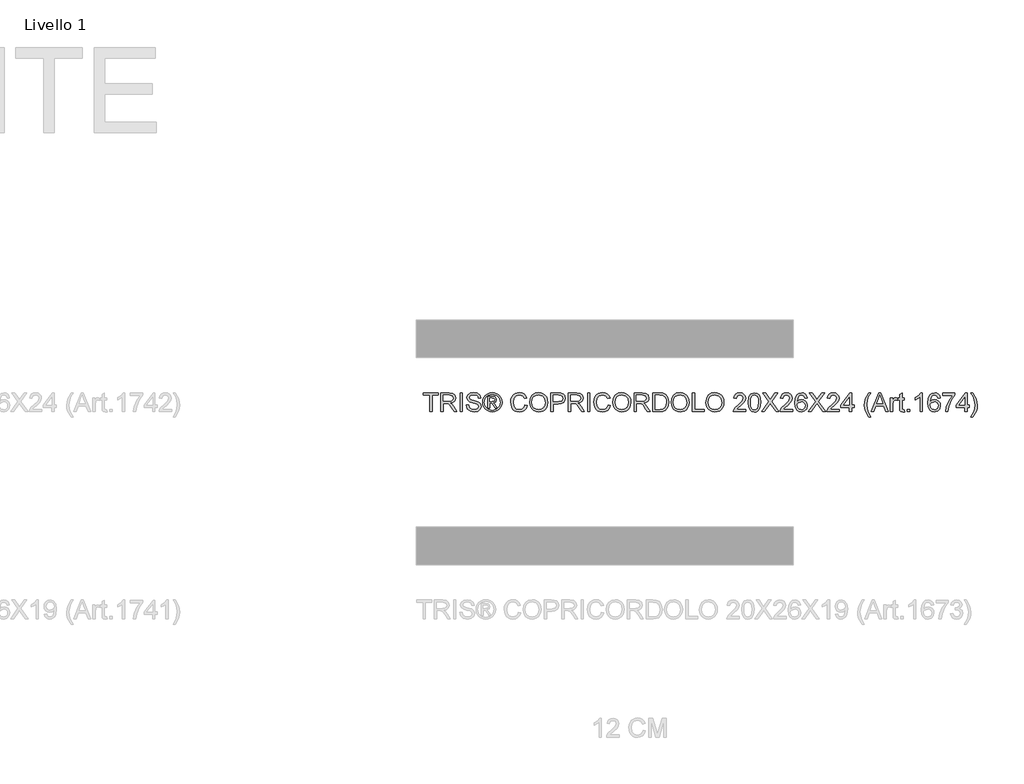
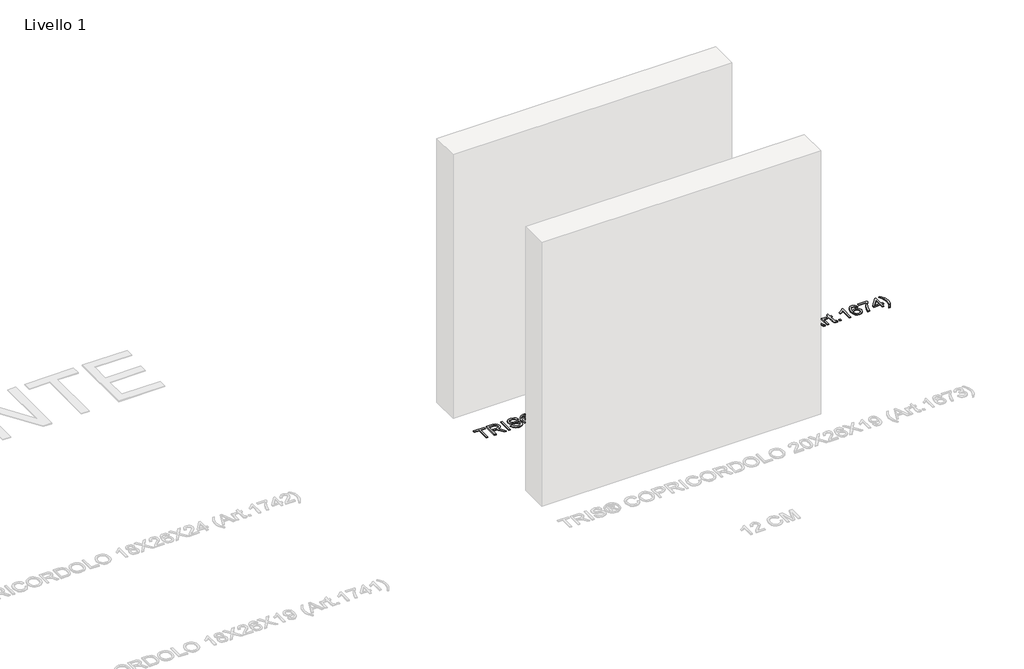
# One storey, part 9 of 19: 1 proxy.
"""IFC4 building model written with IfcOpenShell, lengths in millimetres."""

from ifc_helpers import new_model, si_unit, origin, origin_with_axes, place, context, project, spatial, polyline, outline, extrude, element, save

model = new_model("IFC4")

# Units and contexts
model_context = context("Model", 3, world=origin())
ifc_project = project(units=[si_unit("LENGTHUNIT", "METRE", prefix="MILLI")], contexts=[model_context])

# Site, building, storey
site = spatial("IfcSite", under=ifc_project)
building = spatial("IfcBuilding", under=site)
storey = spatial("IfcBuildingStorey", under=building, Name="Livello 1", Elevation=0.0)

# Proxy
placement = place(None, origin())
element("IfcBuildingElementProxy", 1, Name="100", ObjectType="100", at=placement, inside=storey, context=model_context, shape_type="SweptSolid", body=[
    extrude(outline(polyline([(3134.1267328, -3056.1057849), (3134.1267328, -2968.2065135), (3101.164506, -2968.2065135), (3101.164506, -2955.6494748), (3179.6459983, -2955.6494748), (3179.6459983, -2968.2065135), (3146.6837716, -2968.2065135), (3146.6837716, -3056.1057849), (3134.1267328, -3056.1057849)])), origin_with_axes(), (0.0, 0.0, 1.0), 5.0),
    extrude(outline(polyline([(3193.772667, -3056.1057849), (3193.772667, -2955.6494748), (3237.0601151, -2955.6494748), (3257.1587347, -2958.3595388), (3268.1461436, -2967.9489961), (3272.2541593, -2983.1425225), (3270.552705, -2993.0385482), (3265.4483423, -3001.2423167), (3256.787787, -3007.2571873), (3244.417755, -3010.5865194), (3251.5546657, -3015.9575965), (3261.7327342, -3028.8825173), (3278.4836277, -3056.1057849), (3263.8909752, -3056.1057849), (3250.8189017, -3035.283664), (3241.3765971, -3021.5003519), (3234.7424585, -3014.9888406), (3228.7705074, -3012.5976076), (3221.4864439, -3012.1561492), (3206.3297057, -3012.1561492), (3206.3297057, -3056.1057849), (3193.772667, -3056.1057849)]), holes=[polyline([(3206.3297057, -2999.5991105), (3234.4358902, -2999.5991105), (3248.7710252, -2997.8210142), (3256.9134801, -2992.131106), (3259.6971205, -2983.6085064), (3254.387357, -2972.5475211), (3237.5996753, -2968.2065135), (3206.3297057, -2968.2065135), (3206.3297057, -2999.5991105)])]), origin_with_axes(), (0.0, 0.0, 1.0), 5.0),
    extrude(outline(polyline([(3295.7986069, -3056.1057849), (3295.7986069, -2955.6494748), (3308.3556457, -2955.6494748), (3308.3556457, -3056.1057849), (3295.7986069, -3056.1057849)])), origin_with_axes(), (0.0, 0.0, 1.0), 5.0),
    extrude(outline(polyline([(3328.7608337, -3021.5739283), (3341.3178725, -3021.5739283), (3345.3645744, -3034.1432298), (3355.2483374, -3042.0894809), (3370.3069737, -3045.118376), (3383.4280982, -3042.8252449), (3391.9016468, -3036.5222), (3394.6852873, -3028.0977024), (3392.6006226, -3020.2618159), (3384.0657603, -3014.5596449), (3365.7820252, -3009.7649163), (3346.1003384, -3003.572236), (3335.4194978, -2994.2280333), (3331.9000934, -2981.744571), (3336.2533637, -2967.5320632), (3348.969818, -2957.5011475), (3367.5846469, -2954.0798449), (3387.4502747, -2957.660563), (3400.6940265, -2968.1819881), (3405.6726962, -2983.902812), (3393.1156574, -2983.902812), (3390.8102636, -2976.410282), (3386.0032722, -2971.0024167), (3368.0751563, -2966.6368837), (3350.0979894, -2970.9533658), (3344.4571322, -2981.376689), (3348.4547832, -2990.0832295), (3368.9580731, -2997.0975129), (3391.1781456, -3003.4005578), (3403.3305141, -3013.5786263), (3407.242326, -3027.7788713), (3402.7419029, -3042.8007194), (3389.7924567, -3053.7636029), (3370.797483, -3057.6754148), (3348.3689441, -3053.4570346), (3334.1809618, -3040.752843), (3328.7608337, -3021.5739283)])), origin_with_axes(), (0.0, 0.0, 1.0), 5.0),
    extrude(outline(polyline([(3443.3438125, -3037.2702268), (3443.3438125, -2974.4850329), (3463.6263731, -2974.4850329), (3478.6850095, -2976.2140783), (3486.1039631, -2982.247343), (3488.863078, -2991.4076047), (3484.1051375, -3003.3269814), (3471.4990478, -3009.0168895), (3476.4041411, -3012.352353), (3484.9635289, -3024.8848663), (3492.0023377, -3037.2702268), (3481.4073362, -3037.2702268), (3475.8891063, -3027.3128874), (3466.6430055, -3012.8919132), (3458.623178, -3010.5865194), (3452.7615916, -3010.5865194), (3452.7615916, -3037.2702268), (3443.3438125, -3037.2702268)]), holes=[polyline([(3452.7615916, -3001.1687403), (3464.6809682, -3001.1687403), (3476.3305647, -2998.7775073), (3479.4452989, -2992.4376743), (3477.9492455, -2987.8759376), (3473.7921789, -2984.8838307), (3463.9206787, -2983.902812), (3452.7615916, -2983.902812), (3452.7615916, -3001.1687403)])]), origin_with_axes(), (0.0, 0.0, 1.0), 5.0),
    extrude(outline(polyline([(3466.9127856, -2954.0798449), (3479.8070496, -2955.753708), (3492.3947452, -2960.7752972), (3503.4526648, -2968.9116207), (3511.7576009, -2979.9296865), (3516.953934, -2992.6522721), (3518.6860451, -3005.9021553), (3516.9784595, -3019.0355425), (3511.8557027, -3031.653895), (3503.6519342, -3042.6321069), (3492.7013135, -3050.8450724), (3480.0921581, -3055.9678292), (3466.9127856, -3057.6754148), (3453.7518073, -3055.9678292), (3441.1487832, -3050.8450724), (3430.1889655, -3042.6321069), (3421.9576058, -3031.653895), (3416.8072579, -3019.0355425), (3415.0904753, -3005.9021553), (3416.8317834, -2992.6522721), (3422.0557077, -2979.9296865), (3430.3882349, -2968.9116207), (3441.4553516, -2960.7752972), (3454.0369158, -2955.753708), (3466.9127856, -2954.0798449)]), holes=[polyline([(3466.9127856, -2963.497624), (3446.0906647, -2968.9790657), (3437.0622274, -2975.6407955), (3430.2349507, -2984.6631015), (3424.5082543, -3005.9021553), (3430.1245861, -3026.9572682), (3445.84541, -3042.6413039), (3466.9127856, -3048.2576357), (3487.992424, -3042.6413039), (3503.6764597, -3026.9572682), (3509.268266, -3005.9021553), (3503.5783578, -2984.6631015), (3496.7694752, -2975.6407955), (3487.7226438, -2968.9790657), (3466.9127856, -2963.497624)])]), origin_with_axes(), (0.0, 0.0, 1.0), 5.0),
    extrude(outline(polyline([(3639.5475432, -3020.3967059), (3652.104582, -3023.6340675), (3646.3104406, -3038.2665738), (3637.2176239, -3048.9566115), (3625.2737218, -3055.495714), (3610.926324, -3057.6754148), (3596.3612627, -3056.0260772), (3584.7944396, -3051.0780643), (3575.9284835, -3043.0030545), (3569.4660232, -3031.972726), (3564.2053106, -3005.1173404), (3565.692167, -2990.4695056), (3570.1527362, -2977.8204964), (3577.3540263, -2967.5719171), (3587.0630453, -2960.1253724), (3598.5777517, -2955.5912268), (3611.1961041, -2954.0798449), (3624.9640878, -2956.0357509), (3636.3469699, -2961.9034687), (3644.9891311, -2971.3212478), (3650.5349522, -2983.9273375), (3637.9779134, -2986.9194444), (3627.6772175, -2971.4806633), (3610.7055948, -2966.6368837), (3591.0606963, -2972.0079608), (3579.9629228, -2986.428935), (3576.7623494, -3005.0928149), (3580.5515339, -3026.7242762), (3592.3482833, -3040.5443765), (3609.6755252, -3045.118376), (3620.1570964, -3043.5610089), (3628.8912281, -3038.8889076), (3635.4855129, -3031.1511229), (3639.5475432, -3020.3967059)])), origin_with_axes(), (0.0, 0.0, 1.0), 5.0),
    extrude(outline(polyline([(3664.6616208, -3007.202005), (3668.0093469, -2984.9880639), (3678.0525254, -2968.1819881), (3693.3870732, -2957.6053807), (3712.6089075, -2954.0798449), (3725.7852143, -2955.7353139), (3737.6003577, -2960.7017208), (3747.4105442, -2968.6295778), (3754.5719804, -2979.169397), (3758.9497761, -2991.8122749), (3760.4090414, -3006.0493081), (3758.8731341, -3020.4764137), (3754.2654121, -3033.2971012), (3746.8403271, -3043.8553145), (3736.852331, -3051.4949973), (3725.1383551, -3056.1303104), (3712.5353311, -3057.6754148), (3699.1566892, -3055.9678292), (3687.2741007, -3050.8450724), (3677.4884397, -3042.7700626), (3670.4005799, -3032.205718), (3664.6616208, -3007.202005)]), holes=[polyline([(3677.2186595, -3007.3246324), (3679.7294542, -3023.0393249), (3687.261838, -3035.0138839), (3698.5834064, -3042.592253), (3712.4617547, -3045.118376), (3726.5424381, -3042.5677275), (3737.8824006, -3034.915782), (3745.3596021, -3022.5733411), (3747.8520026, -3005.9512062), (3743.5845715, -2985.2271872), (3731.1133718, -2971.5051888), (3712.6824839, -2966.6368837), (3699.1750833, -2968.9821314), (3687.6910337, -2976.0178746), (3679.8367531, -2988.5350595), (3677.2186595, -3007.3246324)])]), origin_with_axes(), (0.0, 0.0, 1.0), 5.0),
    extrude(outline(polyline([(3777.6749697, -3056.1057849), (3777.6749697, -2955.6494748), (3814.9046276, -2955.6494748), (3829.914213, -2956.605968), (3842.1156325, -2961.3025948), (3850.0250954, -2971.0146794), (3853.0172023, -2984.7121524), (3850.996917, -2996.5518213), (3844.9360611, -3006.4171901), (3833.60223, -3013.0758542), (3815.7630189, -3015.2954089), (3790.2320085, -3015.2954089), (3790.2320085, -3056.1057849), (3777.6749697, -3056.1057849)]), holes=[polyline([(3790.2320085, -3002.7383702), (3816.4987829, -3002.7383702), (3834.9909845, -2998.1275825), (3839.0928688, -2992.5786957), (3840.4601635, -2985.1536108), (3837.2350647, -2974.7548131), (3828.7615161, -2969.0649049), (3816.2044773, -2968.2065135), (3790.2320085, -2968.2065135), (3790.2320085, -3002.7383702)])]), origin_with_axes(), (0.0, 0.0, 1.0), 5.0),
    extrude(outline(polyline([(3870.2831306, -3056.1057849), (3870.2831306, -2955.6494748), (3913.5705787, -2955.6494748), (3933.6691984, -2958.3595388), (3944.6566073, -2967.9489961), (3948.7646229, -2983.1425225), (3947.0631687, -2993.0385482), (3941.958806, -3001.2423167), (3933.2982507, -3007.2571873), (3920.9282186, -3010.5865194), (3928.0651293, -3015.9575965), (3938.2431979, -3028.8825173), (3954.9940914, -3056.1057849), (3940.4014389, -3056.1057849), (3927.3293653, -3035.283664), (3917.8870608, -3021.5003519), (3911.2529221, -3014.9888406), (3905.2809711, -3012.5976076), (3897.9969076, -3012.1561492), (3882.8401694, -3012.1561492), (3882.8401694, -3056.1057849), (3870.2831306, -3056.1057849)]), holes=[polyline([(3882.8401694, -2999.5991105), (3910.9463538, -2999.5991105), (3925.2814889, -2997.8210142), (3933.4239437, -2992.131106), (3936.2075842, -2983.6085064), (3930.8978207, -2972.5475211), (3914.110139, -2968.2065135), (3882.8401694, -2968.2065135), (3882.8401694, -2999.5991105)])]), origin_with_axes(), (0.0, 0.0, 1.0), 5.0),
    extrude(outline(polyline([(3972.3090706, -3056.1057849), (3972.3090706, -2955.6494748), (3984.8661094, -2955.6494748), (3984.8661094, -3056.1057849), (3972.3090706, -3056.1057849)])), origin_with_axes(), (0.0, 0.0, 1.0), 5.0),
    extrude(outline(polyline([(4080.61353, -3020.3967059), (4093.1705688, -3023.6340675), (4087.3764273, -3038.2665738), (4078.2836107, -3048.9566115), (4066.3397086, -3055.495714), (4051.9923108, -3057.6754148), (4037.4272494, -3056.0260772), (4025.8604264, -3051.0780643), (4016.9944703, -3043.0030545), (4010.5320099, -3031.972726), (4005.2712974, -3005.1173404), (4006.7581538, -2990.4695056), (4011.218723, -2977.8204964), (4018.420013, -2967.5719171), (4028.129032, -2960.1253724), (4039.6437385, -2955.5912268), (4052.2620909, -2954.0798449), (4066.0300746, -2956.0357509), (4077.4129566, -2961.9034687), (4086.0551178, -2971.3212478), (4091.6009389, -2983.9273375), (4079.0439001, -2986.9194444), (4068.7432043, -2971.4806633), (4051.7715816, -2966.6368837), (4032.126683, -2972.0079608), (4021.0289095, -2986.428935), (4017.8283361, -3005.0928149), (4021.6175207, -3026.7242762), (4033.41427, -3040.5443765), (4050.741512, -3045.118376), (4061.2230832, -3043.5610089), (4069.9572149, -3038.8889076), (4076.5514996, -3031.1511229), (4080.61353, -3020.3967059)])), origin_with_axes(), (0.0, 0.0, 1.0), 5.0),
    extrude(outline(polyline([(4105.7276075, -3007.202005), (4109.0753337, -2984.9880639), (4119.1185122, -2968.1819881), (4134.45306, -2957.6053807), (4153.6748942, -2954.0798449), (4166.851201, -2955.7353139), (4178.6663444, -2960.7017208), (4188.476531, -2968.6295778), (4195.6379672, -2979.169397), (4200.0157629, -2991.8122749), (4201.4750281, -3006.0493081), (4199.9391208, -3020.4764137), (4195.3313988, -3033.2971012), (4187.9063139, -3043.8553145), (4177.9183177, -3051.4949973), (4166.2043419, -3056.1303104), (4153.6013178, -3057.6754148), (4140.2226759, -3055.9678292), (4128.3400875, -3050.8450724), (4118.5544264, -3042.7700626), (4111.4665667, -3032.205718), (4105.7276075, -3007.202005)]), holes=[polyline([(4118.2846463, -3007.3246324), (4120.7954409, -3023.0393249), (4128.3278248, -3035.0138839), (4139.6493932, -3042.592253), (4153.5277414, -3045.118376), (4167.6084248, -3042.5677275), (4178.9483873, -3034.915782), (4186.4255889, -3022.5733411), (4188.9179894, -3005.9512062), (4184.6505582, -2985.2271872), (4172.1793586, -2971.5051888), (4153.7484706, -2966.6368837), (4140.24107, -2968.9821314), (4128.7570204, -2976.0178746), (4120.9027398, -2988.5350595), (4118.2846463, -3007.3246324)])]), origin_with_axes(), (0.0, 0.0, 1.0), 5.0),
    extrude(outline(polyline([(4218.7409564, -3056.1057849), (4218.7409564, -2955.6494748), (4262.0284045, -2955.6494748), (4282.1270242, -2958.3595388), (4293.1144331, -2967.9489961), (4297.2224488, -2983.1425225), (4295.5209945, -2993.0385482), (4290.4166318, -3001.2423167), (4281.7560765, -3007.2571873), (4269.3860445, -3010.5865194), (4276.5229552, -3015.9575965), (4286.7010237, -3028.8825173), (4303.4519172, -3056.1057849), (4288.8592647, -3056.1057849), (4275.7871912, -3035.283664), (4266.3448866, -3021.5003519), (4259.710748, -3014.9888406), (4253.7387969, -3012.5976076), (4246.4547334, -3012.1561492), (4231.2979952, -3012.1561492), (4231.2979952, -3056.1057849), (4218.7409564, -3056.1057849)]), holes=[polyline([(4231.2979952, -2999.5991105), (4259.4041796, -2999.5991105), (4273.7393147, -2997.8210142), (4281.8817696, -2992.131106), (4284.66541, -2983.6085064), (4279.3556465, -2972.5475211), (4262.5679648, -2968.2065135), (4231.2979952, -2968.2065135), (4231.2979952, -2999.5991105)])]), origin_with_axes(), (0.0, 0.0, 1.0), 5.0),
    extrude(outline(polyline([(4319.1972666, -3056.1057849), (4319.1972666, -2955.6494748), (4353.8517505, -2955.6494748), (4371.7798664, -2957.0964773), (4386.5441972, -2964.2824389), (4398.4390484, -2981.4502654), (4402.3876484, -3005.3380696), (4399.7143726, -3025.6083675), (4392.847242, -3040.2378082), (4383.6747176, -3049.3490189), (4371.6695018, -3054.3890023), (4355.5194823, -3056.1057849), (4319.1972666, -3056.1057849)]), holes=[polyline([(4331.7543054, -3043.5487462), (4353.9743779, -3043.5487462), (4370.1366602, -3041.7338616), (4379.4563374, -3036.6080392), (4387.0960202, -3024.1368395), (4389.8306097, -3005.1418659), (4388.4909061, -2991.4566556), (4384.4717953, -2981.3521635), (4371.4365099, -2970.2176018), (4353.6310213, -2968.2065135), (4331.7543054, -2968.2065135), (4331.7543054, -3043.5487462)])]), origin_with_axes(), (0.0, 0.0, 1.0), 5.0),
    extrude(outline(polyline([(4414.9446872, -3007.202005), (4418.2924134, -2984.9880639), (4428.3355918, -2968.1819881), (4443.6701397, -2957.6053807), (4462.8919739, -2954.0798449), (4476.0682807, -2955.7353139), (4487.8834241, -2960.7017208), (4497.6936107, -2968.6295778), (4504.8550468, -2979.169397), (4509.2328426, -2991.8122749), (4510.6921078, -3006.0493081), (4509.1562005, -3020.4764137), (4504.5484785, -3033.2971012), (4497.1233936, -3043.8553145), (4487.1353974, -3051.4949973), (4475.4214215, -3056.1303104), (4462.8183975, -3057.6754148), (4449.4397556, -3055.9678292), (4437.5571672, -3050.8450724), (4427.7715061, -3042.7700626), (4420.6836463, -3032.205718), (4414.9446872, -3007.202005)]), holes=[polyline([(4427.501726, -3007.3246324), (4430.0125206, -3023.0393249), (4437.5449044, -3035.0138839), (4448.8664728, -3042.592253), (4462.7448211, -3045.118376), (4476.8255045, -3042.5677275), (4488.165467, -3034.915782), (4495.6426685, -3022.5733411), (4498.1350691, -3005.9512062), (4493.8676379, -2985.2271872), (4481.3964383, -2971.5051888), (4462.9655503, -2966.6368837), (4449.4581497, -2968.9821314), (4437.9741001, -2976.0178746), (4430.1198195, -2988.5350595), (4427.501726, -3007.3246324)])]), origin_with_axes(), (0.0, 0.0, 1.0), 5.0),
    extrude(outline(polyline([(4527.9580361, -3056.1057849), (4527.9580361, -2955.6494748), (4540.5150749, -2955.6494748), (4540.5150749, -3043.5487462), (4590.74323, -3043.5487462), (4590.74323, -3056.1057849), (4527.9580361, -3056.1057849)])), origin_with_axes(), (0.0, 0.0, 1.0), 5.0),
    extrude(outline(polyline([(4600.161009, -3007.202005), (4603.5087352, -2984.9880639), (4613.5519137, -2968.1819881), (4628.8864615, -2957.6053807), (4648.1082958, -2954.0798449), (4661.2846025, -2955.7353139), (4673.099746, -2960.7017208), (4682.9099325, -2968.6295778), (4690.0713687, -2979.169397), (4694.4491644, -2991.8122749), (4695.9084297, -3006.0493081), (4694.3725223, -3020.4764137), (4689.7648003, -3033.2971012), (4682.3397154, -3043.8553145), (4672.3517192, -3051.4949973), (4660.6377434, -3056.1303104), (4648.0347194, -3057.6754148), (4634.6560775, -3055.9678292), (4622.773489, -3050.8450724), (4612.9878279, -3042.7700626), (4605.8999682, -3032.205718), (4600.161009, -3007.202005)]), holes=[polyline([(4612.7180478, -3007.3246324), (4615.2288424, -3023.0393249), (4622.7612263, -3035.0138839), (4634.0827947, -3042.592253), (4647.961143, -3045.118376), (4662.0418263, -3042.5677275), (4673.3817888, -3034.915782), (4680.8589904, -3022.5733411), (4683.3513909, -3005.9512062), (4679.0839597, -2985.2271872), (4666.6127601, -2971.5051888), (4648.1818722, -2966.6368837), (4634.6744716, -2968.9821314), (4623.1904219, -2976.0178746), (4615.3361413, -2988.5350595), (4612.7180478, -3007.3246324)])]), origin_with_axes(), (0.0, 0.0, 1.0), 5.0),
    extrude(outline(polyline([(4812.0610383, -3043.5487462), (4812.0610383, -3056.1057849), (4746.1365847, -3056.1057849), (4747.4854854, -3047.4482953), (4755.1129054, -3034.1187043), (4770.8337293, -3019.5628401), (4792.5142416, -2998.6426173), (4797.9343697, -2984.4178468), (4792.8208099, -2972.9031403), (4779.4666935, -2968.2065135), (4765.5484913, -2972.7927758), (4760.2632533, -2985.4724419), (4747.7062146, -2983.902812), (4750.7504381, -2971.7565748), (4757.3324601, -2962.8844873), (4767.1089241, -2957.4582279), (4779.7364736, -2955.6494748), (4792.4559936, -2957.660563), (4802.2140635, -2963.6938277), (4808.4220722, -2972.7069366), (4810.4914084, -2983.6575573), (4808.259591, -2995.5646713), (4800.8406374, -3007.8764554), (4782.8512079, -3025.08107), (4768.4057082, -3037.1598622), (4762.7403254, -3043.5487462), (4812.0610383, -3043.5487462)])), origin_with_axes(), (0.0, 0.0, 1.0), 5.0),
    extrude(outline(polyline([(4824.618077, -3006.6869702), (4828.3091597, -2977.7837082), (4839.2720432, -2961.1186538), (4857.5803038, -2955.6494748), (4872.2465327, -2958.8868363), (4882.3755503, -2968.2187763), (4888.2616622, -2983.0812089), (4890.5425306, -3006.6869702), (4886.8882361, -3035.467605), (4875.9621408, -3052.1694476), (4867.7307812, -3056.298923), (4857.5803038, -3057.6754148), (4844.5327557, -3055.2841818), (4834.6244673, -3048.1104829), (4827.1196746, -3031.1204661), (4824.618077, -3006.6869702)]), holes=[polyline([(4837.1751158, -3006.6624448), (4838.6466438, -3026.4146422), (4843.0612277, -3037.8465752), (4849.6340527, -3043.3004258), (4857.5803038, -3045.118376), (4865.5265549, -3043.2942944), (4872.0993799, -3037.8220498), (4876.5139638, -3026.3839854), (4877.9854918, -3006.6624448), (4876.5630148, -2987.3547714), (4872.2955836, -2975.8339336), (4865.7350214, -2970.1133686), (4857.433151, -2968.2065135), (4849.572739, -2969.886508), (4843.2574315, -2974.9264913), (4838.6956947, -2987.164699), (4837.1751158, -3006.6624448)])]), origin_with_axes(), (0.0, 0.0, 1.0), 5.0),
    extrude(outline(polyline([(4895.2514201, -3056.1057849), (4933.9771315, -3001.364944), (4901.5299395, -2955.6494748), (4916.5885758, -2955.6494748), (4934.8600483, -2981.376689), (4941.0159403, -2991.4076047), (4948.2264274, -2981.2050107), (4966.3016961, -2955.6494748), (4981.5810616, -2955.6494748), (4949.1338697, -3001.5120968), (4987.859581, -3056.1057849), (4972.8009447, -3056.1057849), (4947.0001541, -3019.7099929), (4941.629077, -3012.1561492), (4935.7184396, -3020.4457569), (4910.5307856, -3056.1057849), (4895.2514201, -3056.1057849)])), origin_with_axes(), (0.0, 0.0, 1.0), 5.0),
    extrude(outline(polyline([(5060.062554, -3043.5487462), (5060.062554, -3056.1057849), (4994.1381004, -3056.1057849), (4995.4870011, -3047.4482953), (5003.1144211, -3034.1187043), (5018.835245, -3019.5628401), (5040.5157573, -2998.6426173), (5045.9358853, -2984.4178468), (5040.8223256, -2972.9031403), (5027.4682092, -2968.2065135), (5013.550007, -2972.7927758), (5008.264769, -2985.4724419), (4995.7077303, -2983.902812), (4998.7519538, -2971.7565748), (5005.3339758, -2962.8844873), (5015.1104398, -2957.4582279), (5027.7379893, -2955.6494748), (5040.4575093, -2957.660563), (5050.2155792, -2963.6938277), (5056.4235879, -2972.7069366), (5058.4929241, -2983.6575573), (5056.2611067, -2995.5646713), (5048.8421531, -3007.8764554), (5030.8527235, -3025.08107), (5016.4072239, -3037.1598622), (5010.7418411, -3043.5487462), (5060.062554, -3043.5487462)])), origin_with_axes(), (0.0, 0.0, 1.0), 5.0),
    extrude(outline(polyline([(5136.9744164, -2982.3331822), (5124.4173776, -2983.902812), (5119.6594372, -2973.4304379), (5107.0778729, -2968.2065135), (5095.7471075, -2971.2476714), (5087.175457, -2982.664276), (5083.6070016, -3005.043764), (5094.6802497, -2995.025111), (5108.4022481, -2991.7509612), (5120.0027937, -2993.98891), (5129.7394038, -3000.7027565), (5136.3428857, -3010.9605328), (5138.5440463, -3023.8302712), (5134.3992424, -3041.1575132), (5122.9949006, -3053.4202464), (5106.5383127, -3057.6754148), (5092.2920824, -3054.8549861), (5080.9459885, -3046.3937003), (5073.5239693, -3031.4576912), (5071.0499629, -3009.2130933), (5073.7968151, -2984.203249), (5082.0373718, -2967.1028676), (5093.2884295, -2958.512823), (5107.8626879, -2955.6494748), (5118.8807536, -2957.4214397), (5127.7037901, -2962.7373345), (5133.8842077, -2971.1802263), (5136.9744164, -2982.3331822)]), holes=[polyline([(5083.6070016, -3023.6340675), (5086.5132694, -3034.5111118), (5094.2387913, -3042.408312), (5105.557294, -3045.118376), (5113.843836, -3043.7142931), (5120.358413, -3039.5020442), (5124.5798589, -3032.8801683), (5125.9870075, -3024.2472041), (5124.598253, -3015.9606622), (5120.4319894, -3009.6422889), (5113.8070478, -3005.6415722), (5105.0422592, -3004.308), (5089.8487328, -3009.6422889), (5085.1674344, -3015.807378), (5083.6070016, -3023.6340675)])]), origin_with_axes(), (0.0, 0.0, 1.0), 5.0),
    extrude(outline(polyline([(5143.2529358, -3056.1057849), (5181.9786472, -3001.364944), (5149.5314552, -2955.6494748), (5164.5900915, -2955.6494748), (5182.8615639, -2981.376689), (5189.017456, -2991.4076047), (5196.2279431, -2981.2050107), (5214.3032118, -2955.6494748), (5229.5825773, -2955.6494748), (5197.1353854, -3001.5120968), (5235.8610967, -3056.1057849), (5220.8024604, -3056.1057849), (5195.0016698, -3019.7099929), (5189.6305927, -3012.1561492), (5183.7199553, -3020.4457569), (5158.5323013, -3056.1057849), (5143.2529358, -3056.1057849)])), origin_with_axes(), (0.0, 0.0, 1.0), 5.0),
    extrude(outline(polyline([(5308.0640696, -3043.5487462), (5308.0640696, -3056.1057849), (5242.1396161, -3056.1057849), (5243.4885167, -3047.4482953), (5251.1159368, -3034.1187043), (5266.8367607, -3019.5628401), (5288.517273, -2998.6426173), (5293.937401, -2984.4178468), (5288.8238413, -2972.9031403), (5275.4697249, -2968.2065135), (5261.5515227, -2972.7927758), (5256.2662847, -2985.4724419), (5243.7092459, -2983.902812), (5246.7534695, -2971.7565748), (5253.3354915, -2962.8844873), (5263.1119555, -2957.4582279), (5275.739505, -2955.6494748), (5288.459025, -2957.660563), (5298.2170949, -2963.6938277), (5304.4251036, -2972.7069366), (5306.4944398, -2983.6575573), (5304.2626224, -2995.5646713), (5296.8436688, -3007.8764554), (5278.8542392, -3025.08107), (5264.4087395, -3037.1598622), (5258.7433568, -3043.5487462), (5308.0640696, -3043.5487462)])), origin_with_axes(), (0.0, 0.0, 1.0), 5.0),
    extrude(outline(polyline([(5361.4314844, -3056.1057849), (5361.4314844, -3032.5613372), (5315.9122189, -3032.5613372), (5315.9122189, -3020.0042985), (5364.5707441, -2957.2191046), (5373.9885232, -2957.2191046), (5373.9885232, -3020.0042985), (5386.5455619, -3020.0042985), (5386.5455619, -3032.5613372), (5373.9885232, -3032.5613372), (5373.9885232, -3056.1057849), (5361.4314844, -3056.1057849)]), holes=[polyline([(5361.4314844, -3020.0042985), (5361.4314844, -2981.2050107), (5331.3632627, -3020.0042985), (5361.4314844, -3020.0042985)])]), origin_with_axes(), (0.0, 0.0, 1.0), 5.0),
    extrude(outline(polyline([(5465.0270542, -3084.3591222), (5447.1970402, -3054.9040371), (5441.7339926, -3037.7239479), (5439.9129767, -3019.9307221), (5445.3576302, -2989.3965165), (5465.0270542, -2955.6494748), (5474.4448333, -2955.6494748), (5462.6971349, -2975.539628), (5455.6338006, -2994.8166445), (5452.4700155, -3020.0042985), (5457.9637199, -3052.193973), (5474.4448333, -3084.3591222), (5465.0270542, -3084.3591222)])), origin_with_axes(), (0.0, 0.0, 1.0), 5.0),
    extrude(outline(polyline([(5476.8728545, -3056.1057849), (5516.971992, -2955.6494748), (5527.6650953, -2955.6494748), (5567.7642328, -3056.1057849), (5554.4959555, -3056.1057849), (5542.9935118, -3024.713188), (5501.61905, -3024.713188), (5490.1411318, -3056.1057849), (5476.8728545, -3056.1057849)]), holes=[polyline([(5506.2298377, -3012.1561492), (5538.4072495, -3012.1561492), (5529.3573525, -2987.4590046), (5522.3185436, -2968.2065135), (5516.0645497, -2985.3007636), (5506.2298377, -3012.1561492)])]), origin_with_axes(), (0.0, 0.0, 1.0), 5.0),
    extrude(outline(polyline([(5579.610033, -3056.1057849), (5579.610033, -2982.3331822), (5590.5974419, -2982.3331822), (5590.5974419, -2993.2470147), (5598.3965402, -2983.1915735), (5606.2446895, -2980.7635523), (5618.8507792, -2984.638576), (5614.6569244, -2995.895765), (5605.8277565, -2993.3205911), (5598.727634, -2995.7976632), (5594.2026855, -3002.6647938), (5592.1670718, -3017.3310226), (5592.1670718, -3056.1057849), (5579.610033, -3056.1057849)])), origin_with_axes(), (0.0, 0.0, 1.0), 5.0),
    extrude(outline(polyline([(5653.3826358, -3045.6334108), (5654.9522656, -3056.4736669), (5645.559012, -3057.6754148), (5635.0375869, -3055.5907501), (5629.7891371, -3050.1215711), (5628.2685582, -3035.8722752), (5628.2685582, -2994.8902209), (5618.8507792, -2994.8902209), (5618.8507792, -2982.3331822), (5628.2685582, -2982.3331822), (5628.2685582, -2964.4050663), (5640.825597, -2957.0229009), (5640.825597, -2982.3331822), (5653.3826358, -2982.3331822), (5653.3826358, -2994.8902209), (5640.825597, -2994.8902209), (5640.825597, -3035.5043932), (5641.4877846, -3041.9791163), (5643.6337629, -3044.2722474), (5647.9134568, -3045.118376), (5653.3826358, -3045.6334108)])), origin_with_axes(), (0.0, 0.0, 1.0), 5.0),
    extrude(outline(polyline([(5669.0789342, -3056.1057849), (5669.0789342, -3043.5487462), (5681.635973, -3043.5487462), (5681.635973, -3056.1057849), (5669.0789342, -3056.1057849)])), origin_with_axes(), (0.0, 0.0, 1.0), 5.0),
    extrude(outline(polyline([(5749.1300564, -3056.1057849), (5736.5730176, -3056.1057849), (5736.5730176, -2977.8204964), (5724.6781664, -2986.294045), (5711.4589401, -2992.633878), (5711.4589401, -2980.7635523), (5729.8653026, -2969.0158539), (5741.0366525, -2955.6494748), (5749.1300564, -2955.6494748), (5749.1300564, -3056.1057849)])), origin_with_axes(), (0.0, 0.0, 1.0), 5.0),
    extrude(outline(polyline([(5843.3078471, -2982.3331822), (5830.7508084, -2983.902812), (5825.9928679, -2973.4304379), (5813.4113037, -2968.2065135), (5802.0805382, -2971.2476714), (5793.5088877, -2982.664276), (5789.9404324, -3005.043764), (5801.0136804, -2995.025111), (5814.7356789, -2991.7509612), (5826.3362244, -2993.98891), (5836.0728346, -3000.7027565), (5842.6763164, -3010.9605328), (5844.877477, -3023.8302712), (5840.7326732, -3041.1575132), (5829.3283313, -3053.4202464), (5812.8717434, -3057.6754148), (5798.6255132, -3054.8549861), (5787.2794193, -3046.3937003), (5779.8574, -3031.4576912), (5777.3833936, -3009.2130933), (5780.1302458, -2984.203249), (5788.3708025, -2967.1028676), (5799.6218602, -2958.512823), (5814.1961186, -2955.6494748), (5825.2141844, -2957.4214397), (5834.0372209, -2962.7373345), (5840.2176384, -2971.1802263), (5843.3078471, -2982.3331822)]), holes=[polyline([(5789.9404324, -3023.6340675), (5792.8467001, -3034.5111118), (5800.572222, -3042.408312), (5811.8907248, -3045.118376), (5820.1772667, -3043.7142931), (5826.6918437, -3039.5020442), (5830.9132896, -3032.8801683), (5832.3204382, -3024.2472041), (5830.9316837, -3015.9606622), (5826.7654201, -3009.6422889), (5820.1404785, -3005.6415722), (5811.37569, -3004.308), (5796.1821636, -3009.6422889), (5791.5008652, -3015.807378), (5789.9404324, -3023.6340675)])]), origin_with_axes(), (0.0, 0.0, 1.0), 5.0),
    extrude(outline(polyline([(5855.8648859, -2969.7761434), (5855.8648859, -2957.2191046), (5921.7893395, -2957.2191046), (5921.7893395, -2967.3726477), (5903.0886714, -2994.3874489), (5888.7780618, -3028.8089409), (5884.1182231, -3056.1057849), (5871.5611844, -3056.1057849), (5876.5521168, -3027.7788713), (5890.2495897, -2995.760875), (5909.2323007, -2969.7761434), (5855.8648859, -2969.7761434)])), origin_with_axes(), (0.0, 0.0, 1.0), 5.0),
    extrude(outline(polyline([(5973.5871244, -3056.1057849), (5973.5871244, -3032.5613372), (5928.0678588, -3032.5613372), (5928.0678588, -3020.0042985), (5976.7263841, -2957.2191046), (5986.1441631, -2957.2191046), (5986.1441631, -3020.0042985), (5998.7012019, -3020.0042985), (5998.7012019, -3032.5613372), (5986.1441631, -3032.5613372), (5986.1441631, -3056.1057849), (5973.5871244, -3056.1057849)]), holes=[polyline([(5973.5871244, -3020.0042985), (5973.5871244, -2981.2050107), (5943.5189026, -3020.0042985), (5973.5871244, -3020.0042985)])]), origin_with_axes(), (0.0, 0.0, 1.0), 5.0),
    extrude(outline(polyline([(6015.9671302, -3084.3591222), (6006.5493511, -3084.3591222), (6023.0304645, -3052.193973), (6028.524169, -3020.0042985), (6025.3603838, -2995.0373737), (6018.3706259, -2975.7358317), (6006.5493511, -2955.6494748), (6015.9671302, -2955.6494748), (6035.6365542, -2989.3965165), (6041.0812078, -3019.9307221), (6039.2509948, -3037.7239479), (6033.7603561, -3054.9040371), (6015.9671302, -3084.3591222)])), origin_with_axes(), (0.0, 0.0, 1.0), 5.0),
])

save(model, "model.ifc")
